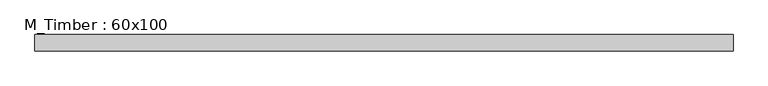
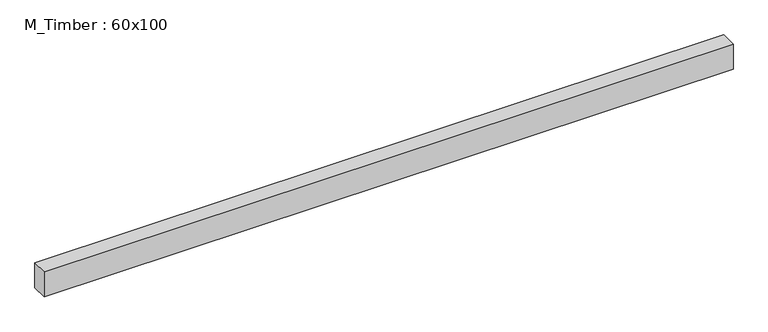
"""IFC4 building model written with IfcOpenShell, lengths in millimetres: beam geometry, M_Timber : 60x100."""

from ifc_helpers import new_model, si_unit, frame, origin, place, context, project, spatial, polyline, outline, extrude, source, transform, mapped, element, save


def m_timber_60x100_6c32590c(model_context):
    return source(origin(), model_context, "Body", "SweptSolid", [
        extrude(outline(polyline([(1327.9297635, 30.0), (1327.9297635, -30.0), (-1254.5075179, -30.0), (-1254.5075179, 30.0), (1327.9297635, 30.0)])), frame((0.0, 0.0, -50.0), z_axis=(0.0, 0.0, 1.0), x_axis=(1.0, 0.0, 0.0)), (0.0, 0.0, 1.0), 100.0),
    ])


if __name__ == "__main__":
    model = new_model("IFC4")
    model_context = context("Model", 3, world=origin())
    ifc_project = project(units=[si_unit("LENGTHUNIT", "METRE", prefix="MILLI")], contexts=[model_context])
    site = spatial("IfcSite", under=ifc_project)
    building = spatial("IfcBuilding", under=site)
    placement = place(None, origin())
    m_timber_60x100_shape = m_timber_60x100_6c32590c(model_context)
    element("IfcBeam", 1, ObjectType="M_Timber : 60x100", at=placement, inside=building, context=model_context, shape_type="MappedRepresentation", body=[
        mapped(m_timber_60x100_shape, transform((0.0, 0.0, 0.0), x_axis=(1.0, 0.0, 0.0), y_axis=(0.0, 1.0, 0.0), z_axis=(0.0, 0.0, 1.0))),
    ])
    save(model, "model.ifc")
